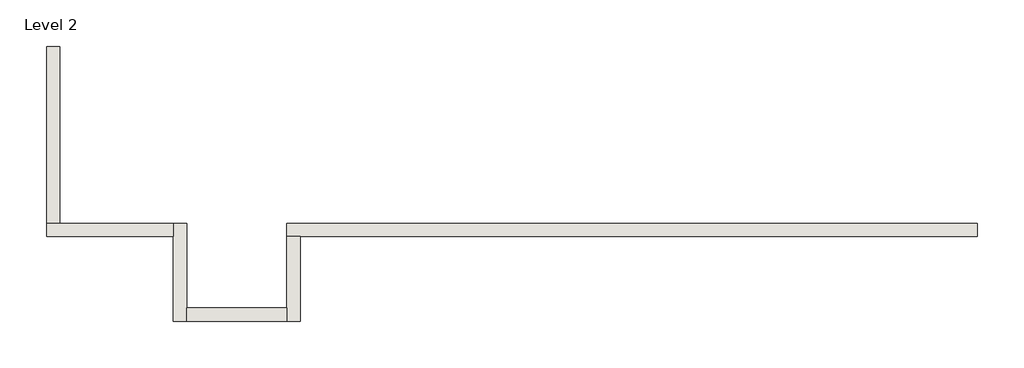
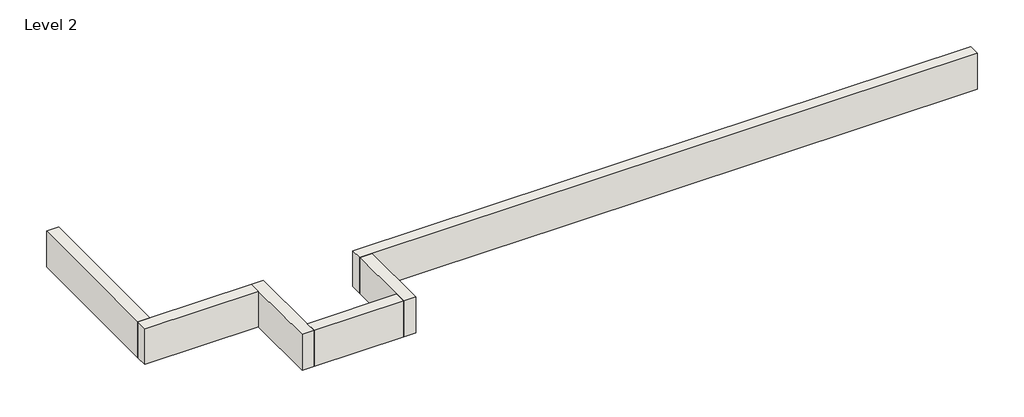
# One storey: 6 walls.
"""IFC4 building model written with IfcOpenShell, lengths in millimetres."""

from ifc_helpers import new_model, si_unit, frame, origin, place, context, project, spatial, polyline, outline, extrude, faceted_brep, element, save

model = new_model("IFC4")

# Units and contexts
model_context = context("Model", 3, world=origin())
ifc_project = project(units=[si_unit("LENGTHUNIT", "METRE", prefix="MILLI")], contexts=[model_context])

# Site, building, storey
site = spatial("IfcSite", under=ifc_project)
building = spatial("IfcBuilding", under=site)
storey = spatial("IfcBuildingStorey", under=building, Name="Level 2", Elevation=3048.0)

# Walls
placement = place(None, origin())
element("IfcWall", 1, ObjectType="Generic - 8\" Brick", at=placement, inside=storey, context=model_context, shape_type="Brep", body=[
    faceted_brep([(11582.3578574, 1412.8726187, 3048.0), (4876.757857, 1412.8726187, 3048.0), (3657.557857, 1412.8726187, 3048.0), (1635.0852383, 1412.8726187, 3048.0), (1635.0852383, 1412.8726187, 3657.6), (11582.3578574, 1412.8726187, 3657.6), (11582.3578574, 1219.1976187, 3048.0), (11582.3578574, 1219.1976187, 3657.6), (1828.7602383, 1219.1976187, 3657.6), (1635.0852383, 1219.1976187, 3657.6), (1635.0852383, 1219.1976187, 3048.0), (1828.7602383, 1219.1976187, 3048.0), (3657.557857, 1219.1976187, 3048.0), (4876.757857, 1219.1976187, 3048.0)], [[[0, 1, 2, 3, 4, 5]], [[6, 7, 8, 9, 10, 11, 12, 13]], [[3, 2, 1, 0, 6, 13, 12, 11, 10]], [[5, 4, 9, 8, 7]], [[0, 5, 7, 6]], [[4, 3, 10, 9]]]),
])
element("IfcWall", 2, ObjectType="Generic - 8\" Brick", at=placement, inside=storey, context=model_context, shape_type="Brep", body=[
    faceted_brep([(1635.0852383, 1219.1976187, 3048.0), (1635.0852383, 193.675, 3048.0), (1635.0852383, 0.0, 3048.0), (1635.0852383, 0.0, 3657.6), (1635.0852383, 193.675, 3657.6), (1635.0852383, 1219.1976187, 3657.6), (1828.7602383, 1219.1976187, 3048.0), (1828.7602383, 1219.1976187, 3657.6), (1828.7602383, 0.0, 3657.6), (1828.7602383, 0.0, 3048.0)], [[[0, 1, 2, 3, 4, 5]], [[6, 7, 8, 9]], [[2, 1, 0, 6, 9]], [[5, 4, 3, 8, 7]], [[0, 5, 7, 6]], [[3, 2, 9, 8]]]),
])
element("IfcWall", 3, ObjectType="Generic - 8\" Brick", at=placement, inside=storey, context=model_context, shape_type="SweptSolid", body=[
    extrude(outline(polyline([(193.632857, 193.675), (1635.0852383, 193.675), (1635.0852383, 0.0), (193.632857, 0.0), (193.632857, 193.675)])), frame((0.0, 0.0, 3048.0), z_axis=(0.0, 0.0, 1.0), x_axis=(1.0, 0.0, 0.0)), (0.0, 0.0, 1.0), 609.6),
])
element("IfcWall", 4, ObjectType="Generic - 8\" Brick", at=placement, inside=storey, context=model_context, shape_type="Brep", body=[
    faceted_brep([(193.632857, 0.0, 3048.0), (193.632857, 193.675, 3048.0), (193.632857, 1412.8726187, 3048.0), (193.632857, 1412.8726187, 3657.6), (193.632857, 193.675, 3657.6), (193.632857, 0.0, 3657.6), (-0.042143, 0.0, 3048.0), (-0.042143, 0.0, 3657.6), (-0.042143, 1219.1976187, 3657.6), (-0.042143, 1412.8726187, 3657.6), (-0.042143, 1412.8726187, 3048.0), (-0.042143, 1219.1976187, 3048.0)], [[[0, 1, 2, 3, 4, 5]], [[6, 7, 8, 9, 10, 11]], [[2, 1, 0, 6, 11, 10]], [[5, 4, 3, 9, 8, 7]], [[0, 5, 7, 6]], [[3, 2, 10, 9]]]),
])
element("IfcWall", 5, ObjectType="Generic - 8\" Brick", at=placement, inside=storey, context=model_context, shape_type="Brep", body=[
    faceted_brep([(-0.042143, 1412.8726187, 3048.0), (-1635.135393, 1412.8726187, 3048.0), (-1828.810393, 1412.8726187, 3048.0), (-1828.810393, 1412.8726187, 3657.6), (-1635.135393, 1412.8726187, 3657.6), (-0.042143, 1412.8726187, 3657.6), (-0.042143, 1219.1976187, 3048.0), (-0.042143, 1219.1976187, 3657.6), (-1828.810393, 1219.1976187, 3657.6), (-1828.810393, 1219.1976187, 3048.0)], [[[0, 1, 2, 3, 4, 5]], [[6, 7, 8, 9]], [[2, 1, 0, 6, 9]], [[5, 4, 3, 8, 7]], [[0, 5, 7, 6]], [[3, 2, 9, 8]]]),
])
element("IfcWall", 6, ObjectType="Generic - 8\" Brick", at=placement, inside=storey, context=model_context, shape_type="Brep", body=[
    faceted_brep([(-1635.135393, 1412.8726187, 3048.0), (-1635.135393, 3047.96825, 3048.0), (-1635.135393, 3962.36825, 3048.0), (-1635.135393, 3962.36825, 3657.6), (-1635.135393, 1412.8726187, 3657.6), (-1828.810393, 1412.8726187, 3048.0), (-1828.810393, 1412.8726187, 3657.6), (-1828.810393, 3962.36825, 3657.6), (-1828.810393, 3962.36825, 3048.0), (-1828.810393, 3047.96825, 3048.0)], [[[0, 1, 2, 3, 4]], [[5, 6, 7, 8, 9]], [[2, 1, 0, 5, 9, 8]], [[3, 2, 8, 7]], [[4, 3, 7, 6]], [[0, 4, 6, 5]]]),
])

save(model, "model.ifc")
